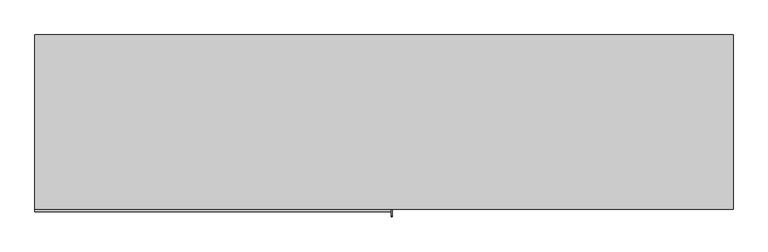
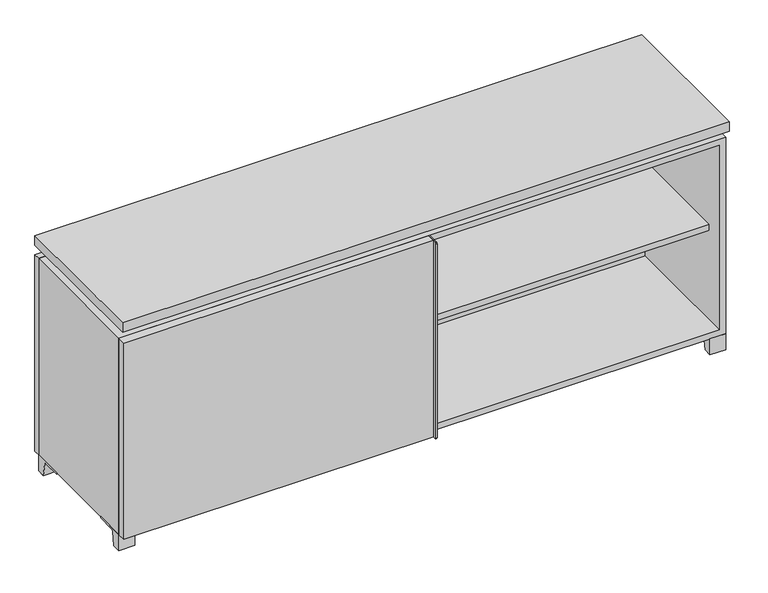
"""IFC4 building model written with IfcOpenShell, lengths in millimetres: furniture geometry."""

from ifc_helpers import new_model, si_unit, point, frame, frame_2d, origin, place, context, project, spatial, polyline, circle_curve, trimmed, segment, composite_curve, outline, extrude, faceted_brep, source, transform, mapped, element, save


def furniture_efef9d93(model_context):
    return source(origin(), model_context, "Body", "SolidModel", [
        extrude(outline(polyline([(9.5319453, 241.3), (895.3569453, 241.3), (895.3569453, -92.075), (9.5319453, -92.075), (9.5319453, 241.3)])), frame((0.0, 0.0, 354.0125), z_axis=(0.0, 0.0, 1.0), x_axis=(1.0, 0.0, 0.0)), (0.0, 0.0, 1.0), 19.05),
        extrude(outline(polyline([(-9.5041641, 241.3), (-9.5041641, -92.075), (-895.3291641, -92.075), (-895.3291641, 241.3), (-9.5041641, 241.3)])), frame((0.0, 0.0, 354.0125), z_axis=(0.0, 0.0, 1.0), x_axis=(1.0, 0.0, 0.0)), (0.0, 0.0, 1.0), 19.05),
        extrude(outline(composite_curve([segment(polyline([(47.6249864, 0.0), (22.225, 0.0), (22.225, 50.8), (117.475, 50.8), (117.475, 46.0213321), (60.6744655, 46.0213321)]), True, "CONTINUOUS"), segment(trimmed(circle_curve(frame_2d((60.6744655, 39.6713321)), 6.35), [point((60.6744655, 46.0213321))], [point((54.4108641, 40.7152656))], True, "CARTESIAN"), True, "CONTINUOUS"), segment(polyline([(54.4108641, 40.7152656), (47.6249864, 0.0)]), True, "CONTINUOUS")], self_intersect=False)), frame((-23.7986094, 0.0, 0.0), z_axis=(1.0, 0.0, 0.0), x_axis=(0.0, 1.0, 0.0)), (0.0, 0.0, 1.0), 47.625),
        extrude(outline(polyline([(914.4138906, 292.1), (914.4138906, -165.1), (-914.3861094, -165.1), (-914.3861094, 292.1), (914.4138906, 292.1)])), frame((0.0, 0.0, 706.4375), z_axis=(0.0, 0.0, 1.0), x_axis=(1.0, 0.0, 0.0)), (0.0, 0.0, 1.0), 30.1625),
        extrude(outline(composite_curve([segment(polyline([(-146.05, 676.275), (-146.05, 50.8), (-180.975, 50.8)]), True, "CONTINUOUS"), segment(trimmed(circle_curve(frame_2d((-180.975, 53.975)), 3.175), [point((-180.975, 50.8))], [point((-184.15, 53.975))], False, "CARTESIAN"), True, "CONTINUOUS"), segment(polyline([(-184.15, 53.975), (-184.15, 673.1)]), True, "CONTINUOUS"), segment(trimmed(circle_curve(frame_2d((-180.975, 673.1)), 3.175), [point((-184.15, 673.1))], [point((-180.975, 676.275))], False, "CARTESIAN"), True, "CONTINUOUS"), segment(polyline([(-180.975, 676.275), (-146.05, 676.275)]), True, "CONTINUOUS")], self_intersect=False)), frame((19.0638906, 0.0, 0.0), z_axis=(1.0, 0.0, 0.0), x_axis=(0.0, 1.0, 0.0)), (0.0, 0.0, 1.0), 3.175),
        extrude(outline(polyline([(-914.3861094, -146.05), (19.0638906, -146.05), (19.0638906, -171.45), (-914.3861094, -171.45), (-914.3861094, -146.05)])), frame((0.0, 0.0, 50.8), z_axis=(0.0, 0.0, 1.0), x_axis=(1.0, 0.0, 0.0)), (0.0, 0.0, 1.0), 625.475),
        extrude(outline(composite_curve([segment(polyline([(-120.6500136, 0.0), (-146.05, 0.0), (-146.05, 50.8), (-50.8, 50.8), (-50.8, 46.0213321), (-107.6005345, 46.0213321)]), True, "CONTINUOUS"), segment(trimmed(circle_curve(frame_2d((-107.6005345, 39.6713321)), 6.35), [point((-107.6005345, 46.0213321))], [point((-113.8641359, 40.7152656))], True, "CARTESIAN"), True, "CONTINUOUS"), segment(polyline([(-113.8641359, 40.7152656), (-120.6500136, 0.0)]), True, "CONTINUOUS")], self_intersect=False)), frame((866.7888906, 0.0, 0.0), z_axis=(1.0, 0.0, 0.0), x_axis=(0.0, 1.0, 0.0)), (0.0, 0.0, 1.0), 47.625),
        extrude(outline(composite_curve([segment(polyline([(247.6500136, 0.0), (240.8641359, 40.7152656)]), True, "CONTINUOUS"), segment(trimmed(circle_curve(frame_2d((234.6005345, 39.6713321)), 6.35), [point((240.8641359, 40.7152656))], [point((234.6005345, 46.0213321))], True, "CARTESIAN"), True, "CONTINUOUS"), segment(polyline([(234.6005345, 46.0213321), (177.8, 46.0213321), (177.8, 50.8), (273.05, 50.8), (273.05, 0.0), (247.6500136, 0.0)]), True, "CONTINUOUS")], self_intersect=False)), frame((866.7888906, 0.0, 0.0), z_axis=(1.0, 0.0, 0.0), x_axis=(0.0, 1.0, 0.0)), (0.0, 0.0, 1.0), 47.625),
        extrude(outline(composite_curve([segment(polyline([(-120.6500136, 0.0), (-146.05, 0.0), (-146.05, 50.8), (-50.8, 50.8), (-50.8, 46.0213321), (-107.6005345, 46.0213321)]), True, "CONTINUOUS"), segment(trimmed(circle_curve(frame_2d((-107.6005345, 39.6713321)), 6.35), [point((-107.6005345, 46.0213321))], [point((-113.8641359, 40.7152656))], True, "CARTESIAN"), True, "CONTINUOUS"), segment(polyline([(-113.8641359, 40.7152656), (-120.6500136, 0.0)]), True, "CONTINUOUS")], self_intersect=False)), frame((-914.3861094, 0.0, 0.0), z_axis=(1.0, 0.0, 0.0), x_axis=(0.0, 1.0, 0.0)), (0.0, 0.0, 1.0), 47.625),
        extrude(outline(composite_curve([segment(polyline([(247.6500136, 0.0), (240.8641359, 40.7152656)]), True, "CONTINUOUS"), segment(trimmed(circle_curve(frame_2d((234.6005345, 39.6713321)), 6.35), [point((240.8641359, 40.7152656))], [point((234.6005345, 46.0213321))], True, "CARTESIAN"), True, "CONTINUOUS"), segment(polyline([(234.6005345, 46.0213321), (177.8, 46.0213321), (177.8, 50.8), (273.05, 50.8), (273.05, 0.0), (247.6500136, 0.0)]), True, "CONTINUOUS")], self_intersect=False)), frame((-914.3861094, 0.0, 0.0), z_axis=(1.0, 0.0, 0.0), x_axis=(0.0, 1.0, 0.0)), (0.0, 0.0, 1.0), 47.625),
        faceted_brep([(7.9513906, -120.65, 706.4375), (7.9513906, -120.65, 676.275), (7.9513906, 53.975, 676.275), (7.9513906, 53.975, 706.4375), (7.9513906, 247.65, 676.275), (7.9513906, 247.65, 706.4375), (7.9513906, 73.025, 706.4375), (7.9513906, 73.025, 676.275), (-7.9236094, 247.65, 706.4375), (-7.9236094, 247.65, 676.275), (-7.9236094, 73.025, 676.275), (-7.9236094, 73.025, 706.4375), (-7.9236094, -120.65, 676.275), (-7.9236094, -120.65, 706.4375), (-7.9236094, 53.975, 706.4375), (-7.9236094, 53.975, 676.275), (-873.0833281, 73.025, 706.4375), (-873.1041641, 247.65, 706.4375), (-888.9791641, 247.65, 706.4375), (-888.9791641, -120.65, 706.4375), (-873.1041641, -120.65, 706.4375), (-873.1041641, 53.975, 706.4375), (873.1111094, 53.975, 706.4375), (873.1111094, -120.65, 706.4375), (888.9861094, -120.65, 706.4375), (888.9861094, 247.65, 706.4375), (873.1111094, 247.65, 706.4375), (873.1111094, 73.025, 706.4375), (-873.0833281, 53.975, 676.275), (-873.1041641, -120.65, 676.275), (-888.9791641, -120.65, 676.275), (-888.9791641, 247.65, 676.275), (-873.1041641, 247.65, 676.275), (-873.1041641, 73.025, 676.275), (873.1111094, 73.025, 676.275), (873.1111094, 247.65, 676.275), (888.9861094, 247.65, 676.275), (888.9861094, -120.65, 676.275), (873.1111094, -120.65, 676.275), (873.1111094, 53.975, 676.275)], [[[0, 1, 2, 3]], [[4, 5, 6, 7]], [[8, 9, 10, 11]], [[12, 13, 14, 15]], [[5, 8, 11, 16, 17, 18, 19, 20, 21, 14, 13, 0, 3, 22, 23, 24, 25, 26, 27, 6]], [[1, 12, 15, 28, 29, 30, 31, 32, 33, 10, 9, 4, 7, 34, 35, 36, 37, 38, 39, 2]], [[5, 4, 9, 8]], [[1, 0, 13, 12]], [[6, 27, 34, 7]], [[22, 3, 2, 39]], [[20, 29, 28, 21]], [[32, 17, 16, 33]], [[18, 31, 30, 19]], [[29, 20, 19, 30]], [[17, 32, 31, 18]], [[26, 35, 34, 27]], [[38, 23, 22, 39]], [[25, 24, 37, 36]], [[23, 38, 37, 24]], [[35, 26, 25, 36]], [[16, 11, 10, 33]], [[14, 21, 28, 15]]]),
        extrude(outline(polyline([(9.5388906, 241.3), (9.5388906, -95.25), (-9.5111094, -95.25), (-9.5111094, 241.3), (9.5388906, 241.3)])), frame((0.0, 0.0, 69.85), z_axis=(0.0, 0.0, 1.0), x_axis=(1.0, 0.0, 0.0)), (0.0, 0.0, 1.0), 587.375),
        extrude(outline(polyline([(15.8888906, -88.9), (15.8888906, -146.05), (-9.5111094, -146.05), (-9.5111094, -120.65), (3.1888906, -120.65), (3.1888906, -88.9), (15.8888906, -88.9)])), frame((0.0, 0.0, 69.85), z_axis=(0.0, 0.0, 1.0), x_axis=(1.0, 0.0, 0.0)), (0.0, 0.0, 1.0), 587.375),
        extrude(outline(polyline([(914.4138906, 273.05), (-914.3861094, 273.05), (-914.3861094, 292.1), (914.4138906, 292.1), (914.4138906, 273.05)])), frame((0.0, 0.0, 50.8), z_axis=(0.0, 0.0, 1.0), x_axis=(1.0, 0.0, 0.0)), (0.0, 0.0, 1.0), 625.475),
        extrude(outline(polyline([(50.8, -914.3861094), (50.8, 914.4), (676.275, 914.4), (676.275, -914.3861094), (50.8, -914.3861094)]), holes=[polyline([(69.85, -895.3361094), (657.225, -895.3361094), (657.225, 895.3361094), (69.85, 895.3361094), (69.85, -895.3361094)])]), frame((0.0, -146.05, 0.0), z_axis=(0.0, 1.0, 0.0), x_axis=(0.0, 0.0, 1.0)), (0.0, 0.0, 1.0), 419.1),
        extrude(outline(polyline([(-895.3291641, 241.3), (-895.3291641, 247.65), (895.3569453, 247.65), (895.3569453, 241.3), (-895.3291641, 241.3)])), frame((0.0, 0.0, 69.85), z_axis=(0.0, 0.0, 1.0), x_axis=(1.0, 0.0, 0.0)), (0.0, 0.0, 1.0), 587.375),
    ])


if __name__ == "__main__":
    model = new_model("IFC4")
    model_context = context("Model", 3, world=origin())
    ifc_project = project(units=[si_unit("LENGTHUNIT", "METRE", prefix="MILLI")], contexts=[model_context])
    site = spatial("IfcSite", under=ifc_project)
    building = spatial("IfcBuilding", under=site)
    placement = place(None, origin())
    furniture_shape = furniture_efef9d93(model_context)
    element("IfcFurniture", 1, at=placement, inside=building, context=model_context, shape_type="MappedRepresentation", body=[
        mapped(furniture_shape, transform((0.0, 0.0, 0.0), x_axis=(1.0, 0.0, 0.0), y_axis=(0.0, 1.0, 0.0), z_axis=(0.0, 0.0, 1.0))),
    ])
    save(model, "model.ifc")
